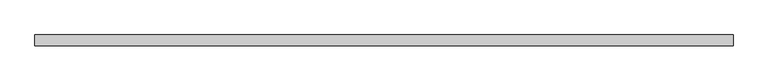
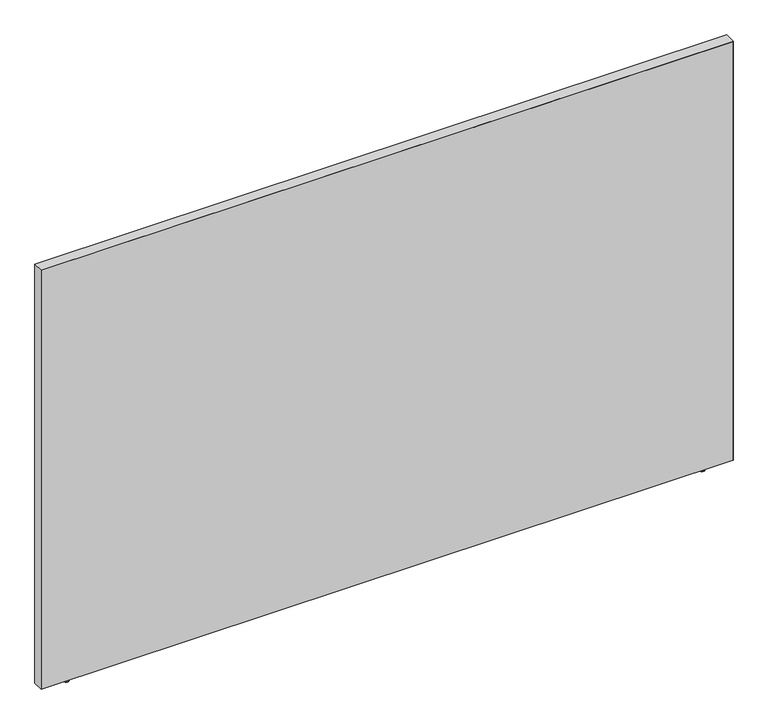
"""IFC4 building model written with IfcOpenShell, lengths in millimetres: furniture geometry."""

from ifc_helpers import new_model, si_unit, point, frame, frame_2d, origin, place, context, project, spatial, polyline, circle_curve, ellipse_curve, trimmed, segment, composite_curve, outline, extrude, source, transform, mapped, element, save
from ifc_brep_helpers import plane_surface, cylinder_surface, revolved_surface, advanced_brep


def furniture_a16605ba(model_context):
    return source(origin(), model_context, "Body", "SolidModel", [
        advanced_brep(
        [(-645.4902705, 14.8449166, 9.9059849), (-645.4902705, 23.7588726, 9.9059849), (-645.4902705, 5.9309607, 9.9059849), (-645.4902705, 23.7588726, 2.9673238), (-645.4902705, 5.9309607, 2.9673238), (-645.4902705, 22.7915354, 2.9673238), (-645.4902705, 6.8982978, 2.9673238), (-645.4902705, 22.7915354, 1.6569081), (-645.4902705, 6.8982978, 1.6569081), (-645.4902705, 21.1346274, 0.0), (-645.4902705, 8.5552059, 0.0), (-645.4902705, 14.8449166, 0.0)],
        [
            (0, 1),
            (1, 2, circle_curve(frame((-645.4902705, 14.8449166, 9.9059849), z_axis=(0.0, 0.0, 1.0), x_axis=(0.0, -1.0, 0.0)), 8.913956)),
            (2, 0),
            (2, 1, circle_curve(frame((-645.4902705, 14.8449166, 9.9059849), z_axis=(0.0, 0.0, 1.0), x_axis=(0.0, -1.0, 0.0)), 8.913956)),
            (1, 3),
            (3, 4, circle_curve(frame((-645.4902705, 14.8449166, 2.9673238), z_axis=(0.0, 0.0, 1.0), x_axis=(0.0, -1.0, 0.0)), 8.913956)),
            (4, 2),
            (4, 3, circle_curve(frame((-645.4902705, 14.8449166, 2.9673238), z_axis=(0.0, 0.0, 1.0), x_axis=(0.0, -1.0, 0.0)), 8.913956)),
            (3, 5),
            (5, 6, circle_curve(frame((-645.4902705, 14.8449166, 2.9673238), z_axis=(0.0, 0.0, 1.0), x_axis=(0.0, -1.0, 0.0)), 7.9466188)),
            (6, 4),
            (6, 5, circle_curve(frame((-645.4902705, 14.8449166, 2.9673238), z_axis=(0.0, 0.0, 1.0), x_axis=(0.0, -1.0, 0.0)), 7.9466188)),
            (5, 7),
            (7, 8, circle_curve(frame((-645.4902705, 14.8449166, 1.6569081), z_axis=(0.0, 0.0, 1.0), x_axis=(0.0, -1.0, 0.0)), 7.9466188)),
            (8, 6),
            (8, 7, circle_curve(frame((-645.4902705, 14.8449166, 1.6569081), z_axis=(0.0, 0.0, 1.0), x_axis=(0.0, -1.0, 0.0)), 7.9466188)),
            (7, 9, circle_curve(frame((-645.4902705, 21.1346274, 1.6569081), z_axis=(-1.0, 0.0, 0.0), x_axis=(0.0, 1.0, 0.0)), 1.6569081)),
            (9, 10, circle_curve(frame((-645.4902705, 14.8449166, 0.0), z_axis=(0.0, 0.0, 1.0), x_axis=(0.0, -1.0, 0.0)), 6.2897107)),
            (10, 8, circle_curve(frame((-645.4902705, 8.5552059, 1.6569081), z_axis=(-1.0, 0.0, 0.0), x_axis=(0.0, -1.0, 0.0)), 1.6569081)),
            (10, 9, circle_curve(frame((-645.4902705, 14.8449166, 0.0), z_axis=(0.0, 0.0, 1.0), x_axis=(0.0, -1.0, 0.0)), 6.2897107)),
            (9, 11),
            (11, 10),
        ],
        [
            plane_surface(frame((-645.4902705, 14.8449166, 9.9059849), z_axis=(0.0, 0.0, 1.0), x_axis=(0.0, -1.0, 0.0))),
            cylinder_surface(frame((-645.4902705, 14.8449166, 9.9059849), z_axis=(0.0, 0.0, 1.0), x_axis=(0.0, -1.0, 0.0)), 8.913956),
            plane_surface(frame((-645.4902705, 14.8449166, 2.9673238), z_axis=(0.0, 0.0, -1.0), x_axis=(0.0, -1.0, 0.0))),
            cylinder_surface(frame((-645.4902705, 14.8449166, 9.9059849), z_axis=(0.0, 0.0, 1.0), x_axis=(0.0, -1.0, 0.0)), 7.9466188),
            revolved_surface(trimmed(ellipse_curve(frame((-645.4902705, 8.5552059, 1.6569081), z_axis=(-1.0, 0.0, 0.0), x_axis=(0.0, -1.0, 0.0)), 1.6569081, 1.6569081), [point((-645.4902705, 8.5552059, 0.0))], [point((-645.4902705, 6.8982978, 1.6569081))], True, "CARTESIAN"), (-645.4902705, 14.8449166, 9.9059849), (0.0, 0.0, 1.0)),
            plane_surface(frame((-645.4902705, 14.8449166, 0.0), z_axis=(0.0, 0.0, -1.0), x_axis=(0.0, -1.0, 0.0))),
        ],
        [
            (0, [[1, 2, 3]]),
            (0, [[-3, 4, -1]]),
            (1, [[5, 6, 7, -2]]),
            (1, [[-7, 8, -5, -4]]),
            (2, [[9, 10, 11, -6]]),
            (2, [[-11, 12, -9, -8]]),
            (3, [[13, 14, 15, -10]]),
            (3, [[-15, 16, -13, -12]]),
            (4, [[17, 18, 19, -14]]),
            (4, [[-19, 20, -17, -16]]),
            (5, [[21, 22, -18]]),
            (5, [[-22, -21, -20]]),
        ],
    ),
        advanced_brep(
        [(1105.1286488, 23.7588726, 9.9059849), (1105.1286488, 14.8449166, 9.9059849), (1105.1286488, 5.9309607, 9.9059849), (1105.1286488, 23.7588726, 2.9673238), (1105.1286488, 5.9309607, 2.9673238), (1105.1286488, 22.7915354, 2.9673238), (1105.1286488, 6.8982978, 2.9673238), (1105.1286488, 22.7915354, 1.6569081), (1105.1286488, 6.8982978, 1.6569081), (1105.1286488, 21.1346274, 0.0), (1105.1286488, 8.5552059, 0.0), (1105.1286488, 14.8449166, 0.0)],
        [
            (0, 1),
            (1, 2),
            (2, 0, circle_curve(frame((1105.1286488, 14.8449166, 9.9059849), z_axis=(0.0, 0.0, 1.0), x_axis=(0.0, -1.0, 0.0)), 8.913956)),
            (0, 2, circle_curve(frame((1105.1286488, 14.8449166, 9.9059849), z_axis=(0.0, 0.0, 1.0), x_axis=(0.0, -1.0, 0.0)), 8.913956)),
            (3, 0),
            (2, 4),
            (4, 3, circle_curve(frame((1105.1286488, 14.8449166, 2.9673238), z_axis=(0.0, 0.0, 1.0), x_axis=(0.0, -1.0, 0.0)), 8.913956)),
            (3, 4, circle_curve(frame((1105.1286488, 14.8449166, 2.9673238), z_axis=(0.0, 0.0, 1.0), x_axis=(0.0, -1.0, 0.0)), 8.913956)),
            (5, 3),
            (4, 6),
            (6, 5, circle_curve(frame((1105.1286488, 14.8449166, 2.9673238), z_axis=(0.0, 0.0, 1.0), x_axis=(0.0, -1.0, 0.0)), 7.9466188)),
            (5, 6, circle_curve(frame((1105.1286488, 14.8449166, 2.9673238), z_axis=(0.0, 0.0, 1.0), x_axis=(0.0, -1.0, 0.0)), 7.9466188)),
            (7, 5),
            (6, 8),
            (8, 7, circle_curve(frame((1105.1286488, 14.8449166, 1.6569081), z_axis=(0.0, 0.0, 1.0), x_axis=(0.0, -1.0, 0.0)), 7.9466188)),
            (7, 8, circle_curve(frame((1105.1286488, 14.8449166, 1.6569081), z_axis=(0.0, 0.0, 1.0), x_axis=(0.0, -1.0, 0.0)), 7.9466188)),
            (9, 7, circle_curve(frame((1105.1286488, 21.1346274, 1.6569081), z_axis=(1.0, 0.0, 0.0), x_axis=(0.0, 1.0, 0.0)), 1.6569081)),
            (8, 10, circle_curve(frame((1105.1286488, 8.5552059, 1.6569081), z_axis=(1.0, 0.0, 0.0), x_axis=(0.0, -1.0, 0.0)), 1.6569081)),
            (10, 9, circle_curve(frame((1105.1286488, 14.8449166, 0.0), z_axis=(0.0, 0.0, 1.0), x_axis=(0.0, -1.0, 0.0)), 6.2897107)),
            (9, 10, circle_curve(frame((1105.1286488, 14.8449166, 0.0), z_axis=(0.0, 0.0, 1.0), x_axis=(0.0, -1.0, 0.0)), 6.2897107)),
            (11, 9),
            (10, 11),
        ],
        [
            plane_surface(frame((1105.1286488, 14.8449166, 9.9059849), z_axis=(0.0, 0.0, 1.0), x_axis=(0.0, -1.0, 0.0))),
            cylinder_surface(frame((1105.1286488, 14.8449166, 9.9059849), z_axis=(0.0, 0.0, -1.0), x_axis=(0.0, -1.0, 0.0)), 8.913956),
            plane_surface(frame((1105.1286488, 14.8449166, 2.9673238), z_axis=(0.0, 0.0, -1.0), x_axis=(0.0, -1.0, 0.0))),
            cylinder_surface(frame((1105.1286488, 14.8449166, 9.9059849), z_axis=(0.0, 0.0, -1.0), x_axis=(0.0, -1.0, 0.0)), 7.9466188),
            revolved_surface(trimmed(ellipse_curve(frame((1105.1286488, 8.5552059, 1.6569081), z_axis=(1.0, 0.0, 0.0), x_axis=(0.0, -1.0, 0.0)), 1.6569081, 1.6569081), [point((1105.1286488, 6.8982978, 1.6569081))], [point((1105.1286488, 8.5552059, 0.0))], True, "CARTESIAN"), (1105.1286488, 14.8449166, 9.9059849), (0.0, 0.0, -1.0)),
            plane_surface(frame((1105.1286488, 14.8449166, 0.0), z_axis=(0.0, 0.0, -1.0), x_axis=(0.0, -1.0, 0.0))),
        ],
        [
            (0, [[1, 2, 3]]),
            (0, [[-2, -1, 4]]),
            (1, [[5, -3, 6, 7]]),
            (1, [[-6, -4, -5, 8]]),
            (2, [[9, -7, 10, 11]]),
            (2, [[-10, -8, -9, 12]]),
            (3, [[13, -11, 14, 15]]),
            (3, [[-14, -12, -13, 16]]),
            (4, [[17, -15, 18, 19]]),
            (4, [[-18, -16, -17, 20]]),
            (5, [[21, -19, 22]]),
            (5, [[-22, -20, -21]]),
        ],
    ),
        advanced_brep(
        [(1181.2780168, 0.0, 1229.142118), (-721.6902221, 0.0, 1229.142118), (-721.6902221, 0.0, 9.9059849), (1181.2780168, 0.0, 9.9059849), (1181.2780168, 29.6898332, 1229.142118), (1181.2780168, 29.6898332, 9.9059849), (-721.6902221, 29.6898332, 9.9059849), (-721.6902221, 29.6898332, 1229.142118), (337.7883813, 29.6898332, 549.6162029), (258.1344836, 29.6898332, 549.6162029), (258.1344836, 29.6898332, 213.7762137), (337.7883813, 29.6898332, 213.7762137), (347.9483813, 29.6898332, 223.9362137), (347.9483813, 29.6898332, 539.4562029), (121.849997, 29.6898332, 549.6162029), (111.689997, 29.6898332, 539.4562029), (111.689997, 29.6898332, 223.9362137), (121.849997, 29.6898332, 213.7762137), (201.5038947, 29.6898332, 213.7762137), (201.5038947, 29.6898332, 549.6162029), (337.7883813, 29.0550397, 549.6162029), (258.1344836, 29.0550397, 549.6162029), (258.1344836, 29.0550397, 213.7762137), (337.7883813, 29.0550397, 213.7762137), (347.9483813, 29.0550397, 223.9362137), (347.9483813, 29.0550397, 539.4562029), (121.849997, 29.0550397, 549.6162029), (201.5038947, 29.0550397, 549.6162029), (201.5038947, 29.0550397, 213.7762137), (121.849997, 29.0550397, 213.7762137), (111.689997, 29.0550397, 223.9362137), (111.689997, 29.0550397, 539.4562029)],
        [
            (0, 1),
            (1, 2),
            (2, 3),
            (3, 0),
            (4, 5),
            (5, 6),
            (6, 7),
            (7, 4),
            (8, 9),
            (9, 10),
            (10, 11),
            (11, 12, circle_curve(frame((337.7883813, 29.6898332, 223.9362137), z_axis=(0.0, -1.0, 0.0), x_axis=(0.0, 0.0, 1.0)), 10.16)),
            (12, 13),
            (13, 8, circle_curve(frame((337.7883813, 29.6898332, 539.4562029), z_axis=(0.0, -1.0, 0.0), x_axis=(0.0, 0.0, 1.0)), 10.16)),
            (14, 15, circle_curve(frame((121.849997, 29.6898332, 539.4562029), z_axis=(0.0, -1.0, 0.0), x_axis=(0.0, 0.0, 1.0)), 10.16)),
            (15, 16),
            (16, 17, circle_curve(frame((121.849997, 29.6898332, 223.9362137), z_axis=(0.0, -1.0, 0.0), x_axis=(0.0, 0.0, 1.0)), 10.16)),
            (17, 18),
            (18, 19),
            (19, 14),
            (3, 5),
            (4, 0),
            (2, 6),
            (1, 7),
            (8, 20),
            (20, 21),
            (21, 9),
            (21, 22),
            (22, 10),
            (22, 23),
            (23, 11),
            (23, 24, circle_curve(frame((337.7883813, 29.0550397, 223.9362137), z_axis=(0.0, -1.0, 0.0), x_axis=(0.0, 0.0, 1.0)), 10.16)),
            (24, 12),
            (24, 25),
            (25, 13),
            (25, 20, circle_curve(frame((337.7883813, 29.0550397, 539.4562029), z_axis=(0.0, -1.0, 0.0), x_axis=(0.0, 0.0, 1.0)), 10.16)),
            (26, 27),
            (27, 28),
            (28, 29),
            (29, 30, circle_curve(frame((121.849997, 29.0550397, 223.9362137), z_axis=(0.0, 1.0, 0.0), x_axis=(0.0, 0.0, 1.0)), 10.16)),
            (30, 31),
            (31, 26, circle_curve(frame((121.849997, 29.0550397, 539.4562029), z_axis=(0.0, 1.0, 0.0), x_axis=(0.0, 0.0, 1.0)), 10.16)),
            (14, 26),
            (31, 15),
            (30, 16),
            (29, 17),
            (28, 18),
            (27, 19),
        ],
        [
            plane_surface(frame((1181.2780168, 0.0, 1229.142118), z_axis=(0.0, -1.0, 0.0), x_axis=(0.0, 0.0, -1.0))),
            plane_surface(frame((1181.2780168, 29.6898332, 1229.142118), z_axis=(0.0, 1.0, 0.0), x_axis=(0.0, 0.0, 1.0))),
            plane_surface(frame((1181.2780168, 0.0, 1229.142118), z_axis=(1.0, 0.0, 0.0), x_axis=(0.0, 1.0, 0.0))),
            plane_surface(frame((1181.2780168, 0.0, 9.9059849), z_axis=(0.0, 0.0, -1.0), x_axis=(0.0, 1.0, 0.0))),
            plane_surface(frame((-721.6902221, 0.0, 9.9059849), z_axis=(-1.0, 0.0, 0.0), x_axis=(0.0, 1.0, 0.0))),
            plane_surface(frame((-721.6902221, 0.0, 1229.142118), z_axis=(0.0, 0.0, 1.0), x_axis=(0.0, 1.0, 0.0))),
            plane_surface(frame((337.7883813, 0.0, 549.6162029), z_axis=(0.0, 0.0, -1.0), x_axis=(0.0, 1.0, 0.0))),
            plane_surface(frame((258.1344836, 0.0, 549.6162029), z_axis=(1.0, 0.0, 0.0), x_axis=(0.0, 1.0, 0.0))),
            plane_surface(frame((258.1344836, 0.0, 213.7762137), z_axis=(0.0, 0.0, 1.0), x_axis=(0.0, 1.0, 0.0))),
            revolved_surface(polyline([(337.7883813, 29.6898332, 234.0962137), (337.7883813, 29.0550397, 234.0962137)]), (337.7883813, 29.6898332, 223.9362137), (0.0, 1.0, 0.0)),
            plane_surface(frame((347.9483813, 0.0, 223.9362137), z_axis=(-1.0, 0.0, 0.0), x_axis=(0.0, 1.0, 0.0))),
            revolved_surface(polyline([(337.7883813, 29.6898332, 549.6162029), (337.7883813, 29.0550397, 549.6162029)]), (337.7883813, 29.6898332, 539.4562029), (0.0, 1.0, 0.0)),
            plane_surface(frame((347.9483813, 29.0550397, 549.6162029), z_axis=(0.0, 1.0, 0.0), x_axis=(0.0, 0.0, 1.0))),
            revolved_surface(polyline([(121.849997, 29.6898332, 549.6162029), (121.849997, 29.0550397, 549.6162029)]), (121.849997, 29.6898332, 539.4562029), (0.0, 1.0, 0.0)),
            plane_surface(frame((111.689997, 0.0, 539.4562029), z_axis=(1.0, 0.0, 0.0), x_axis=(0.0, 1.0, 0.0))),
            revolved_surface(polyline([(121.849997, 29.6898332, 234.0962137), (121.849997, 29.0550397, 234.0962137)]), (121.849997, 29.6898332, 223.9362137), (0.0, 1.0, 0.0)),
            plane_surface(frame((121.849997, 0.0, 213.7762137), z_axis=(0.0, 0.0, 1.0), x_axis=(0.0, 1.0, 0.0))),
            plane_surface(frame((201.5038947, 0.0, 213.7762137), z_axis=(-1.0, 0.0, 0.0), x_axis=(0.0, 1.0, 0.0))),
            plane_surface(frame((201.5038947, 0.0, 549.6162029), z_axis=(0.0, 0.0, -1.0), x_axis=(0.0, 1.0, 0.0))),
        ],
        [
            (0, [[1, 2, 3, 4]]),
            (1, [[5, 6, 7, 8], [9, 10, 11, 12, 13, 14], [15, 16, 17, 18, 19, 20]]),
            (2, [[21, -5, 22, -4]]),
            (3, [[23, -6, -21, -3]]),
            (4, [[24, -7, -23, -2]]),
            (5, [[-22, -8, -24, -1]]),
            (6, [[25, 26, 27, -9]]),
            (7, [[-27, 28, 29, -10]]),
            (8, [[-29, 30, 31, -11]]),
            (9, [[-31, 32, 33, -12]]),
            (10, [[-33, 34, 35, -13]]),
            (11, [[-35, 36, -25, -14]]),
            (12, [[-36, -34, -32, -30, -28, -26]]),
            (12, [[37, 38, 39, 40, 41, 42]]),
            (13, [[43, -42, 44, -15]]),
            (14, [[-44, -41, 45, -16]]),
            (15, [[-45, -40, 46, -17]]),
            (16, [[-46, -39, 47, -18]]),
            (17, [[-47, -38, 48, -19]]),
            (18, [[-48, -37, -43, -20]]),
        ],
    ),
        extrude(outline(composite_curve([segment(polyline([(549.6162029, 337.7883813), (549.6162029, 258.1344836), (213.7762137, 258.1344836), (213.7762137, 337.7883813)]), True, "CONTINUOUS"), segment(trimmed(circle_curve(frame_2d((223.9362137, 337.7883813)), 10.16), [point((213.7762137, 337.7883813))], [point((223.9362137, 347.9483813))], False, "CARTESIAN"), True, "CONTINUOUS"), segment(polyline([(223.9362137, 347.9483813), (539.4562029, 347.9483813)]), True, "CONTINUOUS"), segment(trimmed(circle_curve(frame_2d((539.4562029, 337.7883813)), 10.16), [point((539.4562029, 347.9483813))], [point((549.6162029, 337.7883813))], False, "CARTESIAN"), True, "CONTINUOUS")], self_intersect=False)), frame((0.0, 29.0550397, 0.0), z_axis=(0.0, 1.0, 0.0), x_axis=(0.0, 0.0, 1.0)), (0.0, 0.0, 1.0), 0.6347935),
        extrude(outline(composite_curve([segment(trimmed(circle_curve(frame_2d((539.4562029, 121.849997)), 10.16), [point((549.6162029, 121.849997))], [point((539.4562029, 111.689997))], False, "CARTESIAN"), True, "CONTINUOUS"), segment(polyline([(539.4562029, 111.689997), (223.9362137, 111.689997)]), True, "CONTINUOUS"), segment(trimmed(circle_curve(frame_2d((223.9362137, 121.849997)), 10.16), [point((223.9362137, 111.689997))], [point((213.7762137, 121.849997))], False, "CARTESIAN"), True, "CONTINUOUS"), segment(polyline([(213.7762137, 121.849997), (213.7762137, 201.5038947), (549.6162029, 201.5038947), (549.6162029, 121.849997)]), True, "CONTINUOUS")], self_intersect=False)), frame((0.0, 29.0550397, 0.0), z_axis=(0.0, 1.0, 0.0), x_axis=(0.0, 0.0, 1.0)), (0.0, 0.0, 1.0), 0.6347935),
        extrude(outline(polyline([(1230.122, 1182.3191891), (1230.122, -722.6808109), (9.9059849, -722.6808109), (9.9059849, -721.6902221), (1229.142118, -721.6902221), (1229.142118, 1181.2780168), (9.9059849, 1181.2780168), (9.9059849, 1182.3191891), (1230.122, 1182.3191891)])), frame((0.0, 0.0, 0.0), z_axis=(0.0, 1.0, 0.0), x_axis=(0.0, 0.0, 1.0)), (0.0, 0.0, 1.0), 29.6898332),
    ])


if __name__ == "__main__":
    model = new_model("IFC4")
    model_context = context("Model", 3, world=origin())
    ifc_project = project(units=[si_unit("LENGTHUNIT", "METRE", prefix="MILLI")], contexts=[model_context])
    site = spatial("IfcSite", under=ifc_project)
    building = spatial("IfcBuilding", under=site)
    placement = place(None, origin())
    furniture_shape = furniture_a16605ba(model_context)
    element("IfcFurniture", 1, at=placement, inside=building, context=model_context, shape_type="MappedRepresentation", body=[
        mapped(furniture_shape, transform((0.0, 0.0, 0.0), x_axis=(1.0, 0.0, 0.0), y_axis=(0.0, 1.0, 0.0), z_axis=(0.0, 0.0, 1.0))),
    ])
    save(model, "model.ifc")
